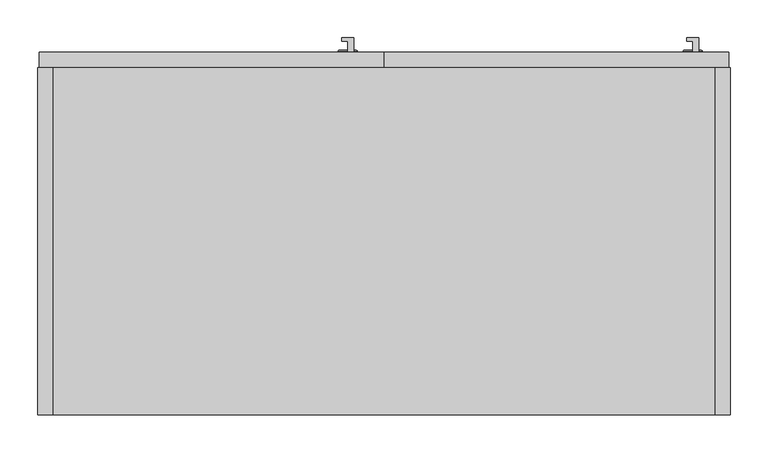
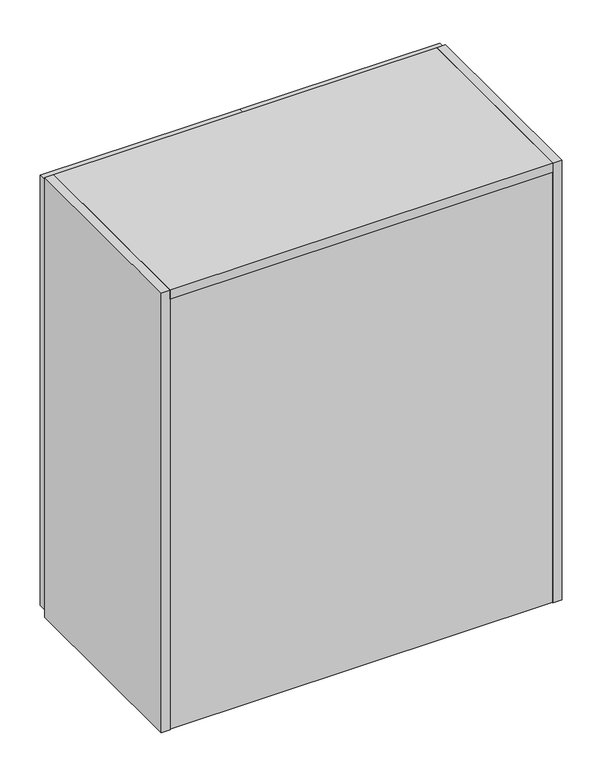
"""IFC4 building model written with IfcOpenShell, lengths in millimetres: furniture geometry."""

import ifcopenshell
import ifcopenshell.guid

model = None  # the IFC model being written
_history = None  # IfcOwnerHistory: only IFC2X3 demands one
_inside = {}  # id of a spatial element -> (the spatial element, [elements in it])
_under = {}  # id of a project, library or spatial element -> (it, [spatial elements below it])
_declared = {}  # id of a project -> (the project, [libraries it declares])
_typed = {}  # id of a type object -> (the type object, [elements of that type])
_made_of = {}  # id of a material, layer set ... -> (it, [elements and type objects made of it])


def new_model(schema):
    """Start an empty IFC model of exactly this schema.

    Asked for "IFC4X3", IfcOpenShell would pick the latest addendum, in which some entities
    have other attributes; the version numbers below select the first issue.
    IFC2X3 requires an IfcOwnerHistory on every rooted entity: one is made here for all.
    """
    global model, _history
    if schema == "IFC4X3":
        model = ifcopenshell.file(schema_version=(4, 3, 0, 0))
    else:
        model = ifcopenshell.file(schema=schema)
    _inside.clear()
    _under.clear()
    _declared.clear()
    _typed.clear()
    _made_of.clear()
    _history = None
    if model.schema == "IFC2X3":
        org = make("IfcOrganization", Name="unknown")
        user = make(
            "IfcPersonAndOrganization",
            ThePerson=make("IfcPerson", FamilyName="unknown"),
            TheOrganization=org,
        )
        app = make(
            "IfcApplication",
            ApplicationDeveloper=org,
            Version="unknown",
            ApplicationFullName="unknown",
            ApplicationIdentifier="unknown",
        )
        _history = make(
            "IfcOwnerHistory",
            OwningUser=user,
            OwningApplication=app,
            ChangeAction="ADDED",
            CreationDate=0,
        )
    return model


def make(cls, **values):
    """One entity of the class cls with the attributes given. An attribute that is None is left unset."""
    return model.create_entity(
        cls, **{name: value for name, value in values.items() if value is not None}
    )


def rooted(cls, **values):
    """An entity with a GlobalId (a new one), such as an element, a storey or a relation."""
    return make(cls, GlobalId=ifcopenshell.guid.new(), OwnerHistory=_history, **values)


def si_unit(unit_type, name, prefix=None):
    """IfcSIUnit, for example si_unit("LENGTHUNIT", "METRE", prefix="MILLI")."""
    return make("IfcSIUnit", UnitType=unit_type, Prefix=prefix, Name=name)


def assignment(units):
    """IfcUnitAssignment: the units of a project."""
    return None if units is None else make("IfcUnitAssignment", Units=units)


def point(xyz):
    """IfcCartesianPoint."""
    return None if xyz is None else make("IfcCartesianPoint", Coordinates=xyz)


def direction(xyz):
    """IfcDirection."""
    return None if xyz is None else make("IfcDirection", DirectionRatios=xyz)


def frame(location, z_axis=None, x_axis=None):
    """IfcAxis2Placement3D, a coordinate frame: its origin and axes. An axis left out is left unset."""
    return make(
        "IfcAxis2Placement3D",
        Location=point(location),
        Axis=direction(z_axis),
        RefDirection=direction(x_axis),
    )


def origin():
    """The frame at (0, 0, 0) with its axes left unset."""
    return frame((0.0, 0.0, 0.0))


def origin_with_axes():
    """The frame at (0, 0, 0) with the z axis (0, 0, 1) and the x axis (1, 0, 0) written out."""
    return frame((0.0, 0.0, 0.0), z_axis=(0.0, 0.0, 1.0), x_axis=(1.0, 0.0, 0.0))


def place(relative_to, where):
    """IfcLocalPlacement: puts the frame where relative to a parent placement (None: the world)."""
    return make(
        "IfcLocalPlacement", PlacementRelTo=relative_to, RelativePlacement=where
    )


def context(
    kind, dimensions, precision=None, world=None, true_north=None, identifier=None
):
    """IfcGeometricRepresentationContext, for example the 3D "Model" context."""
    return make(
        "IfcGeometricRepresentationContext",
        ContextIdentifier=identifier,
        ContextType=kind,
        CoordinateSpaceDimension=dimensions,
        Precision=precision,
        WorldCoordinateSystem=world,
        TrueNorth=true_north,
    )


def project(units=None, contexts=None):
    """IfcProject with its units and contexts."""
    return rooted(
        "IfcProject",
        Name="project",
        RepresentationContexts=contexts,
        UnitsInContext=assignment(units),
    )


def spatial(cls, under=None, at=None, **own):
    """A site, building, storey or space (cls), placed at a placement, below another one or the project."""
    s = rooted(cls, ObjectPlacement=at, **own)
    if under is not None:
        _under.setdefault(under.id(), (under, []))[1].append(s)
    return s


def polyline(points):
    """IfcPolyline through the points."""
    return make("IfcPolyline", Points=[point(p) for p in points])


def circle_curve(where, radius):
    """IfcCircle in the frame where."""
    return make("IfcCircle", Position=where, Radius=radius)


def ellipse_curve(where, semi_axis1, semi_axis2):
    """IfcEllipse in the frame where."""
    return make(
        "IfcEllipse", Position=where, SemiAxis1=semi_axis1, SemiAxis2=semi_axis2
    )


def trimmed(basis, trim1, trim2, sense, master):
    """IfcTrimmedCurve: the piece of a basis curve between two trims."""
    return make(
        "IfcTrimmedCurve",
        BasisCurve=basis,
        Trim1=trim1,
        Trim2=trim2,
        SenseAgreement=sense,
        MasterRepresentation=master,
    )


def outline(outer, holes=None, kind="AREA"):
    """IfcArbitraryClosedProfileDef: a profile drawn as a closed curve; with holes, ...WithVoids."""
    if holes is None:
        return make("IfcArbitraryClosedProfileDef", ProfileType=kind, OuterCurve=outer)
    return make(
        "IfcArbitraryProfileDefWithVoids",
        ProfileType=kind,
        OuterCurve=outer,
        InnerCurves=holes,
    )


def extrude(swept, where, along, depth):
    """IfcExtrudedAreaSolid: the profile swept, set in the frame where, extruded along a direction by depth."""
    return make(
        "IfcExtrudedAreaSolid",
        SweptArea=swept,
        Position=where,
        ExtrudedDirection=direction(along),
        Depth=depth,
    )


def shape(context_of_items, identifier, shape_type, items):
    """IfcShapeRepresentation: the items that make up one representation, for example the "Body"."""
    return make(
        "IfcShapeRepresentation",
        ContextOfItems=context_of_items,
        RepresentationIdentifier=identifier,
        RepresentationType=shape_type,
        Items=items,
    )


def source(mapping_origin, context_of_items, identifier, shape_type, items):
    """IfcRepresentationMap: a shape defined once, which mapped items show again and again."""
    return make(
        "IfcRepresentationMap",
        MappingOrigin=mapping_origin,
        MappedRepresentation=shape(context_of_items, identifier, shape_type, items),
    )


def transform(
    local_origin,
    x_axis=None,
    y_axis=None,
    z_axis=None,
    scale=None,
    scale2=None,
    scale3=None,
    uniform=True,
):
    """IfcCartesianTransformationOperator3D, or its non-uniform kind. x_axis, y_axis, z_axis: its Axis1, 2, 3."""
    if uniform:
        return make(
            "IfcCartesianTransformationOperator3D",
            Axis1=direction(x_axis),
            Axis2=direction(y_axis),
            LocalOrigin=point(local_origin),
            Scale=scale,
            Axis3=direction(z_axis),
        )
    return make(
        "IfcCartesianTransformationOperator3DnonUniform",
        Axis1=direction(x_axis),
        Axis2=direction(y_axis),
        LocalOrigin=point(local_origin),
        Scale=scale,
        Axis3=direction(z_axis),
        Scale2=scale2,
        Scale3=scale3,
    )


def mapped(mapping_source, mapping_target):
    """IfcMappedItem: shows the shape of a source again, moved by a transform."""
    return make(
        "IfcMappedItem", MappingSource=mapping_source, MappingTarget=mapping_target
    )


def made_of(thing, what):
    """Note that an element or type object is made of a material, layer set ...; save() writes the relation."""
    if what is not None:
        _made_of.setdefault(what.id(), (what, []))[1].append(thing)
    return thing


def element(
    cls,
    number,
    at=None,
    inside=None,
    cuts=None,
    type_object=None,
    material=None,
    context=None,
    identifier="Body",
    shape_type=None,
    held_by="IfcProductDefinitionShape",
    body=None,
    shapes=None,
    **own,
):
    """One element of the class cls, such as IfcWall. Its Tag is "e" and its number.

    at: its placement. inside: the storey or other place that contains it. cuts: it is an
    opening in that element (IfcRelVoidsElement). A single representation is given by context,
    identifier, shape_type and body (its items); several are given by shapes. held_by: the class
    of the entity that holds the representations. save() writes the other relations.
    """
    e = rooted(cls, Tag="e%d" % number, ObjectPlacement=at, **own)
    if body is not None:
        shapes = [shape(context, identifier, shape_type, body)]
    if shapes is not None:
        e.Representation = make(held_by, Representations=shapes)
    if inside is not None:
        _inside.setdefault(inside.id(), (inside, []))[1].append(e)
    if cuts is not None:
        rooted(
            "IfcRelVoidsElement", RelatingBuildingElement=cuts, RelatedOpeningElement=e
        )
    if type_object is not None:
        _typed.setdefault(type_object.id(), (type_object, []))[1].append(e)
    return made_of(e, material)


def aggregate(whole, parts):
    """IfcRelAggregates: a whole, such as a stair, and the parts it consists of."""
    return rooted("IfcRelAggregates", RelatingObject=whole, RelatedObjects=parts)


def save(model, path):
    """Write the relations noted so far, then the file.

    IfcRelAggregates (storeys below a building ...), IfcRelContainedInSpatialStructure (elements
    in a storey), IfcRelDefinesByType, IfcRelAssociatesMaterial and IfcRelDeclares: one each for
    every whole, place, type object, material and project.
    """
    for whole, parts in _under.values():
        aggregate(whole, parts)
    for where, things in _inside.values():
        rooted(
            "IfcRelContainedInSpatialStructure",
            RelatedElements=things,
            RelatingStructure=where,
        )
    for kind, things in _typed.values():
        rooted("IfcRelDefinesByType", RelatedObjects=things, RelatingType=kind)
    for what, things in _made_of.values():
        rooted("IfcRelAssociatesMaterial", RelatedObjects=things, RelatingMaterial=what)
    for by, libraries in _declared.values():
        rooted("IfcRelDeclares", RelatingContext=by, RelatedDefinitions=libraries)
    model.write(path)


def plane_surface(at):
    """IfcPlane: the flat surface through the origin of the frame at, square to its z axis."""
    return make("IfcPlane", Position=at)


def cylinder_surface(at, radius):
    """IfcCylindricalSurface: all points at the distance radius from the z axis of the frame at."""
    return make("IfcCylindricalSurface", Position=at, Radius=radius)


def revolved_surface(curve, axis_point, axis_direction):
    """IfcSurfaceOfRevolution: the curve turned about the line through axis_point along axis_direction."""
    return make(
        "IfcSurfaceOfRevolution",
        SweptCurve=make("IfcArbitraryOpenProfileDef", ProfileType="CURVE", Curve=curve),
        AxisPosition=make("IfcAxis1Placement", Location=point(axis_point), Axis=direction(axis_direction)),
    )


def advanced_brep(points, edges, surfaces, faces):
    """IfcAdvancedBrep: a solid bounded by faces that lie on surfaces and meet in shared edges.

    An edge is (start, end): straight between two places in points (the first is 0);
    or (start, end, curve); or (start, end, curve, False) where it runs against its curve.
    A face is (place in surfaces, loops), or (place, loops, False) where it looks against
    its surface's normal. A loop lists edges by number (the first is 1), with a minus sign
    where the edge is run from its end to its start. The first loop is the outer one.
    """
    corners = [point(p) for p in points]
    vertices = [make("IfcVertexPoint", VertexGeometry=c) for c in corners]
    made = []
    for start, end, *more in edges:
        made.append(
            make(
                "IfcEdgeCurve",
                EdgeStart=vertices[start],
                EdgeEnd=vertices[end],
                EdgeGeometry=more[0] if more else make("IfcPolyline", Points=[corners[start], corners[end]]),
                SameSense=more[1] if len(more) > 1 else True,
            )
        )
    hull = []
    for where, loops, *sense in faces:
        bounds = []
        for j, loop in enumerate(loops):
            ring = [make("IfcOrientedEdge", EdgeElement=made[abs(k) - 1], Orientation=k > 0) for k in loop]
            bounds.append(
                make(
                    "IfcFaceOuterBound" if j == 0 else "IfcFaceBound",
                    Bound=make("IfcEdgeLoop", EdgeList=ring),
                    Orientation=True,
                )
            )
        hull.append(make("IfcAdvancedFace", Bounds=bounds, FaceSurface=surfaces[where], SameSense=sense[0] if sense else True))
    return make("IfcAdvancedBrep", Outer=make("IfcClosedShell", CfsFaces=hull))


def furniture_006ad1f6(model_context):
    return source(origin(), model_context, "Body", "SolidModel", [
        advanced_brep(
        [(409.194, 482.092, 744.318722), (409.194, 482.092, 755.6579089), (409.194, 482.092, 766.9970958), (409.194, 480.7311869, 742.9579089), (409.194, 480.7311869, 768.3579089), (409.194, 479.552, 742.9579089), (409.194, 479.552, 768.3579089), (409.194, 479.552, 755.6579089)],
        [
            (0, 1),
            (1, 2),
            (2, 0, circle_curve(frame((409.194, 482.092, 755.6579089), z_axis=(0.0, 1.0, 0.0), x_axis=(0.0, 0.0, 1.0)), 11.3391869)),
            (0, 2, circle_curve(frame((409.194, 482.092, 755.6579089), z_axis=(0.0, 1.0, 0.0), x_axis=(0.0, 0.0, 1.0)), 11.3391869)),
            (3, 0, circle_curve(frame((409.194, 480.7311869, 744.318722), z_axis=(1.0, 0.0, 0.0), x_axis=(0.0, 1.0, 0.0)), 1.3608131)),
            (2, 4, circle_curve(frame((409.194, 480.7311869, 766.9970958), z_axis=(1.0, 0.0, 0.0), x_axis=(0.0, 1.0, 0.0)), 1.3608131)),
            (4, 3, circle_curve(frame((409.194, 480.7311869, 755.6579089), z_axis=(0.0, 1.0, 0.0), x_axis=(0.0, 0.0, 1.0)), 12.7)),
            (3, 4, circle_curve(frame((409.194, 480.7311869, 755.6579089), z_axis=(0.0, 1.0, 0.0), x_axis=(0.0, 0.0, 1.0)), 12.7)),
            (5, 3),
            (4, 6),
            (6, 5, circle_curve(frame((409.194, 479.552, 755.6579089), z_axis=(0.0, 1.0, 0.0), x_axis=(0.0, 0.0, 1.0)), 12.7)),
            (5, 6, circle_curve(frame((409.194, 479.552, 755.6579089), z_axis=(0.0, 1.0, 0.0), x_axis=(0.0, 0.0, 1.0)), 12.7)),
            (7, 5),
            (6, 7),
        ],
        [
            plane_surface(frame((409.194, 482.092, 755.6579089), z_axis=(0.0, 1.0, 0.0), x_axis=(0.0, 0.0, 1.0))),
            revolved_surface(trimmed(ellipse_curve(frame((409.194, 480.7311869, 766.9970958), z_axis=(1.0, 0.0, 0.0), x_axis=(0.0, 1.0, 0.0)), 1.3608131, 1.3608131), [point((409.194, 482.092, 766.9970958))], [point((409.194, 480.7311869, 768.3579089))], True, "CARTESIAN"), (409.194, 552.4232944, 755.6579089), (0.0, -1.0, 0.0)),
            cylinder_surface(frame((409.194, 552.4232944, 755.6579089), z_axis=(0.0, -1.0, 0.0), x_axis=(0.0, 0.0, 1.0)), 12.7),
            plane_surface(frame((409.194, 479.552, 755.6579089), z_axis=(0.0, -1.0, 0.0), x_axis=(0.0, 0.0, 1.0))),
        ],
        [
            (0, [[1, 2, 3]]),
            (0, [[-2, -1, 4]]),
            (1, [[5, -3, 6, 7]]),
            (1, [[-6, -4, -5, 8]]),
            (2, [[9, -7, 10, 11]]),
            (2, [[-10, -8, -9, 12]]),
            (3, [[13, -11, 14]]),
            (3, [[-14, -12, -13]]),
        ],
    ),
        extrude(outline(polyline([(417.2869926, 479.552), (409.194, 479.552), (409.194, 494.112998), (401.2999347, 494.112998), (401.2999347, 498.6758872), (417.2869926, 498.6758872), (417.2869926, 479.552)])), frame((0.0, 0.0, 787.4079089), z_axis=(0.0, 0.0, 1.0), x_axis=(1.0, 0.0, 0.0)), (0.0, 0.0, 1.0), 146.0341822),
        advanced_brep(
        [(864.87, 482.092, 744.318722), (864.87, 482.092, 755.6579089), (864.87, 482.092, 766.9970958), (864.87, 480.7311869, 742.9579089), (864.87, 480.7311869, 768.3579089), (864.87, 479.552, 742.9579089), (864.87, 479.552, 768.3579089), (864.87, 479.552, 755.6579089)],
        [
            (0, 1),
            (1, 2),
            (2, 0, circle_curve(frame((864.87, 482.092, 755.6579089), z_axis=(0.0, 1.0, 0.0), x_axis=(0.0, 0.0, 1.0)), 11.3391869)),
            (0, 2, circle_curve(frame((864.87, 482.092, 755.6579089), z_axis=(0.0, 1.0, 0.0), x_axis=(0.0, 0.0, 1.0)), 11.3391869)),
            (3, 0, circle_curve(frame((864.87, 480.7311869, 744.318722), z_axis=(1.0, 0.0, 0.0), x_axis=(0.0, 1.0, 0.0)), 1.3608131)),
            (2, 4, circle_curve(frame((864.87, 480.7311869, 766.9970958), z_axis=(1.0, 0.0, 0.0), x_axis=(0.0, 1.0, 0.0)), 1.3608131)),
            (4, 3, circle_curve(frame((864.87, 480.7311869, 755.6579089), z_axis=(0.0, 1.0, 0.0), x_axis=(0.0, 0.0, 1.0)), 12.7)),
            (3, 4, circle_curve(frame((864.87, 480.7311869, 755.6579089), z_axis=(0.0, 1.0, 0.0), x_axis=(0.0, 0.0, 1.0)), 12.7)),
            (5, 3),
            (4, 6),
            (6, 5, circle_curve(frame((864.87, 479.552, 755.6579089), z_axis=(0.0, 1.0, 0.0), x_axis=(0.0, 0.0, 1.0)), 12.7)),
            (5, 6, circle_curve(frame((864.87, 479.552, 755.6579089), z_axis=(0.0, 1.0, 0.0), x_axis=(0.0, 0.0, 1.0)), 12.7)),
            (7, 5),
            (6, 7),
        ],
        [
            plane_surface(frame((864.87, 482.092, 755.6579089), z_axis=(0.0, 1.0, 0.0), x_axis=(0.0, 0.0, 1.0))),
            revolved_surface(trimmed(ellipse_curve(frame((864.87, 480.7311869, 766.9970958), z_axis=(1.0, 0.0, 0.0), x_axis=(0.0, 1.0, 0.0)), 1.3608131, 1.3608131), [point((864.87, 482.092, 766.9970958))], [point((864.87, 480.7311869, 768.3579089))], True, "CARTESIAN"), (864.87, 552.4232944, 755.6579089), (0.0, -1.0, 0.0)),
            cylinder_surface(frame((864.87, 552.4232944, 755.6579089), z_axis=(0.0, -1.0, 0.0), x_axis=(0.0, 0.0, 1.0)), 12.7),
            plane_surface(frame((864.87, 479.552, 755.6579089), z_axis=(0.0, -1.0, 0.0), x_axis=(0.0, 0.0, 1.0))),
        ],
        [
            (0, [[1, 2, 3]]),
            (0, [[-2, -1, 4]]),
            (1, [[5, -3, 6, 7]]),
            (1, [[-6, -4, -5, 8]]),
            (2, [[9, -7, 10, 11]]),
            (2, [[-10, -8, -9, 12]]),
            (3, [[13, -11, 14]]),
            (3, [[-14, -12, -13]]),
        ],
    ),
        extrude(outline(polyline([(872.9629926, 479.552), (864.87, 479.552), (864.87, 494.112998), (856.9759347, 494.112998), (856.9759347, 498.6758872), (872.9629926, 498.6758872), (872.9629926, 479.552)])), frame((0.0, 0.0, 787.4079089), z_axis=(0.0, 0.0, 1.0), x_axis=(1.0, 0.0, 0.0)), (0.0, 0.0, 1.0), 146.0341822),
        extrude(outline(polyline([(912.876, 479.552), (912.876, 459.1557568), (457.2, 459.1557568), (457.2, 479.552), (912.876, 479.552)])), frame((0.0, 0.0, 15.24), z_axis=(0.0, 0.0, 1.0), x_axis=(1.0, 0.0, 0.0)), (0.0, 0.0, 1.0), 1037.59),
        extrude(outline(polyline([(457.2, 479.552), (457.2, 459.1557568), (1.524, 459.1557568), (1.524, 479.552), (457.2, 479.552)])), frame((0.0, 0.0, 15.24), z_axis=(0.0, 0.0, 1.0), x_axis=(1.0, 0.0, 0.0)), (0.0, 0.0, 1.0), 1037.59),
        extrude(outline(polyline([(0.0, 1038.86), (0.0, 1060.45), (459.1557568, 1060.45), (459.1557568, 76.2), (457.6317568, 76.2), (457.6317568, 0.0), (1.524, 0.0), (1.524, 1038.86), (0.0, 1038.86)])), frame((20.32, 0.0, 0.0), z_axis=(1.0, 0.0, 0.0), x_axis=(0.0, 1.0, 0.0)), (0.0, 0.0, 1.0), 873.76),
        extrude(outline(polyline([(20.32, 0.0), (0.0, 0.0), (0.0, 459.1557568), (20.32, 459.1557568), (20.32, 0.0)])), origin_with_axes(), (0.0, 0.0, 1.0), 1060.45),
        extrude(outline(polyline([(894.08, 459.1557568), (914.4, 459.1557568), (914.4, 0.0), (894.08, 0.0), (894.08, 459.1557568)])), origin_with_axes(), (0.0, 0.0, 1.0), 1060.45),
    ])


if __name__ == "__main__":
    model = new_model("IFC4")
    model_context = context("Model", 3, world=origin())
    ifc_project = project(units=[si_unit("LENGTHUNIT", "METRE", prefix="MILLI")], contexts=[model_context])
    site = spatial("IfcSite", under=ifc_project)
    building = spatial("IfcBuilding", under=site)
    placement = place(None, origin())
    furniture_shape = furniture_006ad1f6(model_context)
    element("IfcFurniture", 1, at=placement, inside=building, context=model_context, shape_type="MappedRepresentation", body=[
        mapped(furniture_shape, transform((0.0, 0.0, 0.0), x_axis=(1.0, 0.0, 0.0), y_axis=(0.0, 1.0, 0.0), z_axis=(0.0, 0.0, 1.0))),
    ])
    save(model, "model.ifc")
